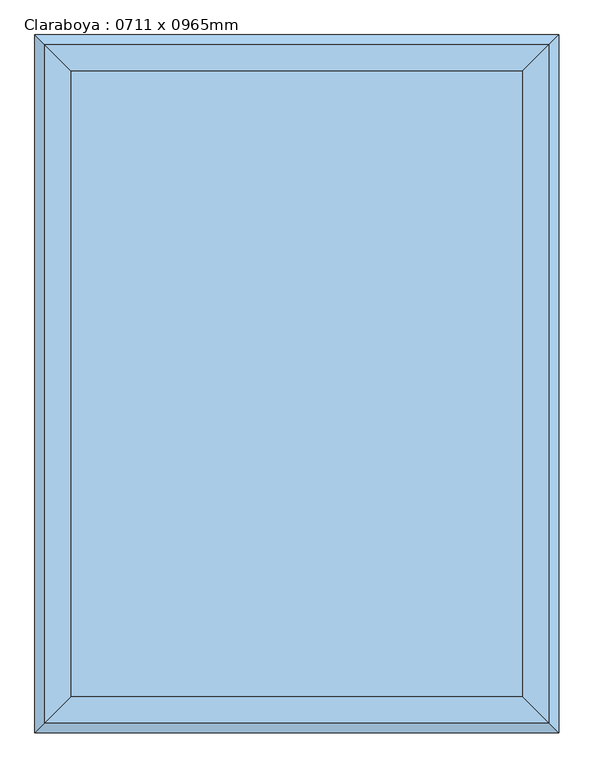
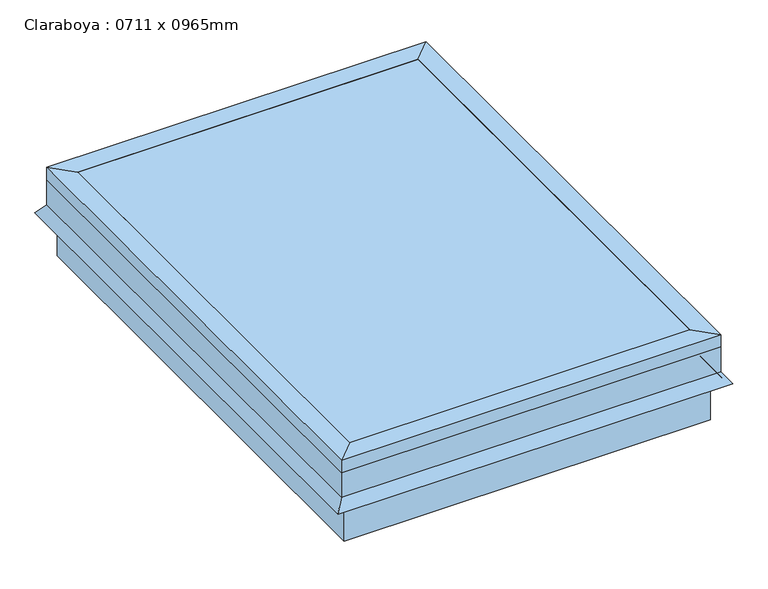
"""IFC4 building model written with IfcOpenShell, lengths in millimetres: window geometry, Claraboya : 0711 x 0965mm."""

from ifc_helpers import new_model, si_unit, frame, origin, place, context, project, spatial, polyline, outline, extrude, faceted_brep, source, transform, mapped, element, save


def claraboya_0711_x_0965mm_852a0989(model_context):
    return source(origin(), model_context, "Body", "SolidModel", [
        faceted_brep([(254.440073, -370.1040988, 4325.0), (254.440073, 544.0959012, 4325.0), (279.840073, 569.4959012, 4325.0), (279.840073, -395.5040988, 4325.0), (254.440073, -370.1040988, 4350.4), (254.440073, 544.0959012, 4350.4), (292.540073, -408.2040988, 4350.4), (292.540073, 582.1959012, 4350.4), (292.540073, -408.2040988, 4325.0), (292.540073, 582.1959012, 4325.0), (292.540073, -408.2040988, 4274.2), (292.540073, 582.1959012, 4274.2), (307.1089145, -422.7729403, 4253.3935381), (307.1089145, 596.7647427, 4253.3935381), (301.907299, -417.5713248, 4249.7513277), (301.907299, 591.5631272, 4249.7513277), (286.190073, -401.8540988, 4272.1978527), (286.190073, 575.8459012, 4272.1978527), (286.190073, -401.8540988, 4325.0), (286.190073, 575.8459012, 4325.0), (-405.759927, 544.0959012, 4325.0), (-431.159927, 569.4959012, 4325.0), (-405.759927, 544.0959012, 4350.4), (-443.859927, 582.1959012, 4350.4), (-443.859927, 582.1959012, 4325.0), (-443.859927, 582.1959012, 4274.2), (-458.4287685, 596.7647427, 4253.3935381), (-453.227153, 591.5631272, 4249.7513277), (-437.509927, 575.8459012, 4272.1978527), (-437.509927, 575.8459012, 4325.0), (-405.759927, -370.1040988, 4325.0), (-431.159927, -395.5040988, 4325.0), (-405.759927, -370.1040988, 4350.4), (-443.859927, -408.2040988, 4350.4), (-443.859927, -408.2040988, 4325.0), (-443.859927, -408.2040988, 4274.2), (-458.4287685, -422.7729403, 4253.3935381), (-453.227153, -417.5713248, 4249.7513277), (-437.509927, -401.8540988, 4272.1978527), (-437.509927, -401.8540988, 4325.0)], [[[0, 1, 2, 3]], [[4, 5, 1, 0]], [[6, 7, 5, 4]], [[8, 9, 7, 6]], [[10, 11, 9, 8]], [[12, 13, 11, 10]], [[14, 15, 13, 12]], [[16, 17, 15, 14]], [[18, 19, 17, 16]], [[3, 2, 19, 18]], [[1, 20, 21, 2]], [[5, 22, 20, 1]], [[7, 23, 22, 5]], [[9, 24, 23, 7]], [[11, 25, 24, 9]], [[13, 26, 25, 11]], [[15, 27, 26, 13]], [[17, 28, 27, 15]], [[19, 29, 28, 17]], [[2, 21, 29, 19]], [[20, 30, 31, 21]], [[22, 32, 30, 20]], [[23, 33, 32, 22]], [[24, 34, 33, 23]], [[25, 35, 34, 24]], [[26, 36, 35, 25]], [[27, 37, 36, 26]], [[28, 38, 37, 27]], [[29, 39, 38, 28]], [[21, 31, 39, 29]], [[30, 0, 3, 31]], [[32, 4, 0, 30]], [[33, 6, 4, 32]], [[34, 8, 6, 33]], [[35, 10, 8, 34]], [[36, 12, 10, 35]], [[37, 14, 12, 36]], [[38, 16, 14, 37]], [[39, 18, 16, 38]], [[31, 3, 18, 39]]]),
        faceted_brep([(279.840073, 569.4959012, 4325.0), (279.840073, -395.5040988, 4325.0), (279.840073, -395.5040988, 4172.6), (279.840073, 569.4959012, 4172.6), (254.440073, 544.0959012, 4325.0), (254.440073, -370.1040988, 4325.0), (254.440073, 544.0959012, 4299.6), (254.440073, -370.1040988, 4299.6), (235.390073, 525.0459012, 4299.6), (235.390073, -351.0540988, 4299.6), (235.390073, 525.0459012, 4172.6), (235.390073, -351.0540988, 4172.6), (-431.159927, -395.5040988, 4325.0), (-431.159927, -395.5040988, 4172.6), (-405.759927, -370.1040988, 4325.0), (-405.759927, -370.1040988, 4299.6), (-386.709927, -351.0540988, 4299.6), (-386.709927, -351.0540988, 4172.6), (-431.159927, 569.4959012, 4325.0), (-431.159927, 569.4959012, 4172.6), (-405.759927, 544.0959012, 4325.0), (-405.759927, 544.0959012, 4299.6), (-386.709927, 525.0459012, 4299.6), (-386.709927, 525.0459012, 4172.6)], [[[0, 1, 2, 3]], [[4, 5, 1, 0]], [[6, 7, 5, 4]], [[8, 9, 7, 6]], [[10, 11, 9, 8]], [[3, 2, 11, 10]], [[1, 12, 13, 2]], [[5, 14, 12, 1]], [[7, 15, 14, 5]], [[9, 16, 15, 7]], [[11, 17, 16, 9]], [[2, 13, 17, 11]], [[12, 18, 19, 13]], [[14, 20, 18, 12]], [[15, 21, 20, 14]], [[16, 22, 21, 15]], [[17, 23, 22, 16]], [[13, 19, 23, 17]], [[18, 0, 3, 19]], [[20, 4, 0, 18]], [[21, 6, 4, 20]], [[22, 8, 6, 21]], [[23, 10, 8, 22]], [[19, 3, 10, 23]]]),
        extrude(outline(polyline([(254.440073, 544.0959012), (254.440073, -370.1040988), (-405.759927, -370.1040988), (-405.759927, 544.0959012), (254.440073, 544.0959012)])), frame((0.0, 0.0, 4344.05), z_axis=(0.0, 0.0, 1.0), x_axis=(1.0, 0.0, 0.0)), (0.0, 0.0, 1.0), 6.35),
    ])


if __name__ == "__main__":
    model = new_model("IFC4")
    model_context = context("Model", 3, world=origin())
    ifc_project = project(units=[si_unit("LENGTHUNIT", "METRE", prefix="MILLI")], contexts=[model_context])
    site = spatial("IfcSite", under=ifc_project)
    building = spatial("IfcBuilding", under=site)
    placement = place(None, origin())
    claraboya_0711_x_0965mm_shape = claraboya_0711_x_0965mm_852a0989(model_context)
    element("IfcWindow", 1, ObjectType="Claraboya : 0711 x 0965mm", at=placement, inside=building, context=model_context, shape_type="MappedRepresentation", body=[
        mapped(claraboya_0711_x_0965mm_shape, transform((0.0, 0.0, 0.0), x_axis=(1.0, 0.0, 0.0), y_axis=(0.0, 1.0, 0.0), z_axis=(0.0, 0.0, 1.0))),
    ])
    save(model, "model.ifc")
